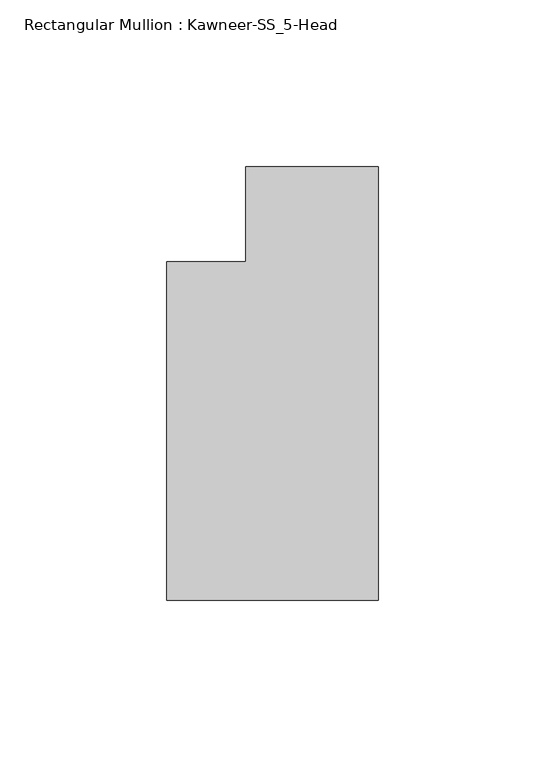
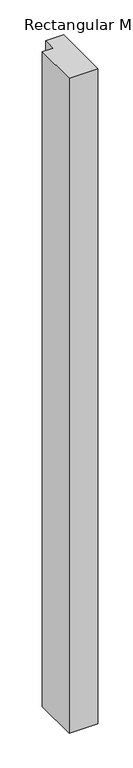
"""IFC4 building model written with IfcOpenShell, lengths in millimetres: member geometry, Rectangular Mullion : Kawneer-SS_5-Head."""

from ifc_helpers import new_model, si_unit, frame, origin, place, context, project, spatial, polyline, outline, extrude, source, transform, mapped, element, save


def rectangular_mullion_kawneer_ss_5_head_5e36d58e(model_context):
    return source(origin(), model_context, "Body", "SweptSolid", [
        extrude(outline(polyline([(-63.5, -115.8875), (-63.5, -14.2875), (-39.6875, -14.2875), (-39.6875, 14.2875), (0.0, 14.2875), (0.0, -115.8875), (-63.5, -115.8875)])), frame((0.0, 0.0, -1524.0), z_axis=(0.0, 0.0, 1.0), x_axis=(1.0, 0.0, 0.0)), (0.0, 0.0, 1.0), 1524.0),
    ])


if __name__ == "__main__":
    model = new_model("IFC4")
    model_context = context("Model", 3, world=origin())
    ifc_project = project(units=[si_unit("LENGTHUNIT", "METRE", prefix="MILLI")], contexts=[model_context])
    site = spatial("IfcSite", under=ifc_project)
    building = spatial("IfcBuilding", under=site)
    placement = place(None, origin())
    rectangular_mullion_kawneer_ss_5_head_shape = rectangular_mullion_kawneer_ss_5_head_5e36d58e(model_context)
    element("IfcMember", 1, ObjectType="Rectangular Mullion : Kawneer-SS_5-Head", at=placement, inside=building, context=model_context, shape_type="MappedRepresentation", body=[
        mapped(rectangular_mullion_kawneer_ss_5_head_shape, transform((0.0, 0.0, 0.0), x_axis=(1.0, 0.0, 0.0), y_axis=(0.0, 1.0, 0.0), z_axis=(0.0, 0.0, 1.0))),
    ])
    save(model, "model.ifc")
